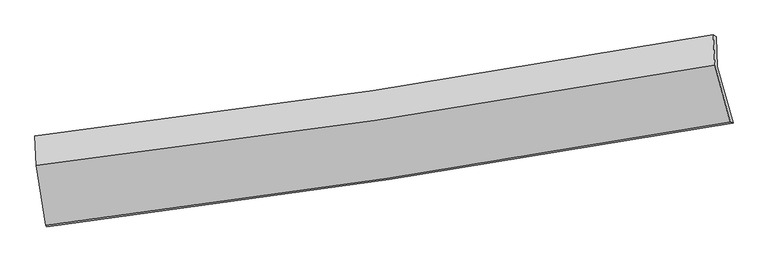
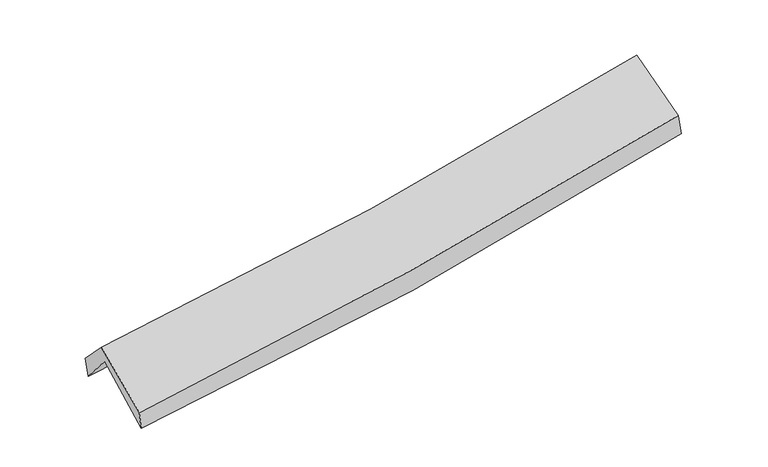
"""IFC4 building model written with IfcOpenShell, lengths in millimetres: proxy geometry."""

from ifc_helpers import new_model, si_unit, frame, origin, place, context, project, spatial, source, transform, mapped, element, save
from ifc_brep_helpers import plane_surface, spline_curve, spline_surface, advanced_brep


def generic_models_8ebdc74b(model_context):
    return source(origin(), model_context, "Body", "AdvancedBrep", [
        advanced_brep(
        [(-2892.584701, -2512.7737687, 1461.492066), (-2973.4365801, -2019.6459653, 1905.4407742), (2916.0420647, -1124.3986466, 2398.2448232), (3052.9305065, -1611.3444368, 1968.1158759), (-2983.6759544, -1751.4639641, 1586.440724), (2906.1108122, -860.6951658, 2082.2935567), (-2997.3497807, -1723.6203235, 1762.8468012), (2880.5778861, -846.6129155, 2279.1834205), (-2985.1534751, -1981.9815919, 2031.421054), (2895.3113007, -1109.8531134, 2553.3738426), (-2903.8561019, -2500.4275674, 1626.2472757), (3028.7362739, -1604.9073329, 2165.1819367)],
        [
            (0, 1),
            (1, 2, spline_curve(3, [(-2973.4365801, -2019.6459653, 1905.4407742), (-1990.440041391, -1895.756785487, 1941.592897608), (-1011.267648565, -1759.763564867, 2000.327760849), (951.991042124, -1461.661592866, 2164.010312991), (1935.97819725, -1299.239040517, 2269.543466254), (2916.0420647, -1124.3986466, 2398.2448232)], [4, 2, 4], [0.0, 9.793642175284676, 19.713423561265213])),
            (2, 3),
            (3, 0, spline_curve(3, [(3052.9305065, -1611.3444368, 1968.1158759), (2062.917788406, -1786.355514443, 1834.401173205), (1069.25837253, -1949.384643817, 1725.210954558), (-912.672182329, -2249.558302129, 1556.956088697), (-1900.851169228, -2387.005616609, 1497.271704225), (-2892.584701, -2512.7737687, 1461.492066)], [4, 2, 4], [0.0, 9.919781385980537, 19.713423561265213])),
            (1, 4),
            (4, 5, spline_curve(3, [(-2983.6759544, -1751.4639641, 1586.440724), (-2000.626930577, -1630.577126537, 1626.527777669), (-1021.402778096, -1496.463131378, 1687.493519109), (941.95863816, -1199.88311682, 1852.236510707), (1925.99674129, -1037.074178907, 1956.555046494), (2906.1108122, -860.6951658, 2082.2935567)], [4, 2, 4], [0.0, 9.746601031969155, 19.618735398640148])),
            (5, 2),
            (4, 6),
            (6, 7, spline_curve(3, [(-2997.3497807, -1723.6203235, 1762.8468012), (-2016.560793118, -1605.676527924, 1813.261718442), (-1039.449540922, -1474.175623428, 1881.109641757), (919.955027922, -1182.191292924, 2052.769892146), (1902.152997835, -1021.356394527, 2157.034175623), (2880.5778861, -846.6129155, 2279.1834205)], [4, 2, 4], [0.0, 9.736206326528142, 19.597812107030578])),
            (7, 5),
            (6, 8),
            (8, 9, spline_curve(3, [(-2985.1534751, -1981.9815919, 2031.421054), (-2003.887856582, -1866.598218771, 2084.557575825), (-1026.328035387, -1736.787108444, 2154.237052714), (933.922963996, -1446.451658712, 2327.792434463), (1916.518068091, -1285.553276481, 2432.097220844), (2895.3113007, -1109.8531134, 2553.3738426)], [4, 2, 4], [0.0, 9.727939496671734, 19.581171972997545])),
            (9, 7),
            (8, 10),
            (10, 11, spline_curve(3, [(-2903.8561019, -2500.4275674, 1626.2472757), (-1915.377808796, -2376.377832252, 1685.939706836), (-929.900020992, -2240.281367249, 1760.31521621), (1047.708560013, -1942.08693768, 1939.579439823), (2039.761564317, -1779.676657612, 2044.848817551), (3028.7362739, -1604.9073329, 2165.1819367)], [4, 2, 4], [0.0, 9.775248124915976, 19.676398550606716])),
            (11, 9),
            (10, 0),
            (3, 11),
        ],
        [
            spline_surface(3, 3, [[(-2892.584701, -2512.7737687, 1461.492066), (-1900.851169253, -2387.005616492, 1497.271704108), (-912.672182464, -2249.558302104, 1556.956088766), (1069.258372666, -1949.384643842, 1725.210954489), (2062.917788363, -1786.355514294, 1834.401173098), (3052.9305065, -1611.3444368, 1968.1158759)], [(-2919.535327373, -2348.397834229, 1609.474968749), (-1930.714126598, -2223.256006181, 1645.37876865), (-945.537337801, -2086.293389721, 1704.746646125), (1030.16926242, -1786.810293515, 1871.47740732), (2020.604591372, -1623.983356393, 1979.448604114), (3007.301025914, -1449.029173392, 2111.492191649)], [(-2946.485953727, -2184.021899771, 1757.457871451), (-1960.577083923, -2059.506395882, 1793.485833146), (-978.402493086, -1923.028477295, 1852.53720349), (991.080152227, -1624.235943146, 2017.743860159), (1978.291394338, -1461.611198516, 2124.496035182), (2961.671545286, -1286.713910008, 2254.868507451)], [(-2973.4365801, -2019.6459653, 1905.4407742), (-1990.440041268, -1895.756785571, 1941.592897688), (-1011.267648423, -1759.763564913, 2000.327760849), (951.991041981, -1461.661592819, 2164.010312991), (1935.978197347, -1299.239040615, 2269.543466198), (2916.0420647, -1124.3986466, 2398.2448232)]], [4, 4], [4, 2, 4], [0.0, 2.1887845619897117], [0.0, 9.793642175284676, 19.713423561265213]),
            spline_surface(3, 3, [[(-2973.4365801, -2019.6459653, 1905.4407742), (-1990.440041268, -1895.756785571, 1941.592897688), (-1011.267648423, -1759.763564913, 2000.327760849), (951.991041981, -1461.661592819, 2164.010312991), (1935.978197347, -1299.239040615, 2269.543466198), (2916.0420647, -1124.3986466, 2398.2448232)], [(-2976.849704846, -1930.251964905, 1799.107424123), (-1993.835671065, -1807.363565856, 1836.571190959), (-1014.64602502, -1671.996753771, 1896.049680286), (948.646907392, -1374.402100766, 2060.085712188), (1932.651045297, -1211.85075337, 2165.213992976), (2912.731647173, -1036.49748635, 2292.927734366)], [(-2980.262829654, -1840.857964495, 1692.774074077), (-1997.231300923, -1718.970346127, 1731.54948426), (-1018.024401584, -1584.229942653, 1791.77159976), (945.302772834, -1287.142608737, 1956.161111422), (1929.323893328, -1124.462466077, 2060.884519757), (2909.421229727, -948.59632605, 2187.610645534)], [(-2983.6759544, -1751.4639641, 1586.440724), (-2000.62693072, -1630.577126412, 1626.52777753), (-1021.40277818, -1496.463131512, 1687.493519196), (941.958638245, -1199.883116685, 1852.236510619), (1925.996741278, -1037.074178833, 1956.555046536), (2906.1108122, -860.6951658, 2082.2935567)]], [4, 4], [4, 2, 4], [0.0, 1.3389416352443992], [0.0, 9.746601031969155, 19.618735398640148]),
            spline_surface(3, 3, [[(-2983.6759544, -1751.4639641, 1586.440724), (-2000.62693072, -1630.577126412, 1626.52777753), (-1021.40277818, -1496.463131512, 1687.493519196), (941.958638245, -1199.883116685, 1852.236510619), (1925.996741278, -1037.074178833, 1956.555046536), (2906.1108122, -860.6951658, 2082.2935567)], [(-2988.233896498, -1742.182750565, 1645.242749729), (-2005.93821815, -1622.276926899, 1688.772424536), (-1027.418365719, -1489.033962178, 1752.032226684), (934.624101446, -1193.985842075, 1919.080971177), (1918.048826838, -1031.834917403, 2023.381422906), (2897.599836853, -856.001082345, 2147.923511311)], [(-2992.791838602, -1732.901537035, 1704.044775471), (-2011.249505585, -1613.976727391, 1751.017071555), (-1033.433953283, -1481.604792837, 1816.570934148), (927.28956462, -1188.088567457, 1985.925431712), (1910.100912337, -1026.595656039, 2090.207799243), (2889.088861447, -851.306998955, 2213.553465889)], [(-2997.3497807, -1723.6203235, 1762.8468012), (-2016.560793015, -1605.676527878, 1813.261718561), (-1039.449540822, -1474.175623504, 1881.109641635), (919.95502782, -1182.191292847, 2052.76989227), (1902.152997897, -1021.356394609, 2157.034175614), (2880.5778861, -846.6129155, 2279.1834205)]], [4, 4], [4, 2, 4], [0.0, 0.6533417807725801], [0.0, 9.736206326528142, 19.597812107030578]),
            spline_surface(3, 3, [[(-2997.3497807, -1723.6203235, 1762.8468012), (-2016.560793015, -1605.676527878, 1813.261718561), (-1039.449540822, -1474.175623504, 1881.109641635), (919.95502782, -1182.191292847, 2052.76989227), (1902.152997897, -1021.356394609, 2157.034175614), (2880.5778861, -846.6129155, 2279.1834205)], [(-2993.284345524, -1809.74074627, 1852.371552137), (-2012.336480856, -1692.650424843, 1903.693671038), (-1035.075705628, -1561.712785115, 1972.152111963), (924.611006524, -1270.278081522, 2144.444073013), (1906.941354573, -1109.422021934, 2248.721857308), (2885.489024296, -934.359648158, 2370.580227844)], [(-2989.218910276, -1895.86116913, 1941.896303063), (-2008.112168625, -1779.624321897, 1994.125623505), (-1030.701870477, -1649.2499467, 2063.194582322), (929.266985186, -1358.364870171, 2236.118253786), (1911.72971126, -1197.487649186, 2340.40953907), (2890.400162504, -1022.106380742, 2461.977035256)], [(-2985.1534751, -1981.9815919, 2031.421054), (-2003.887856467, -1866.598218862, 2084.557575982), (-1026.328035283, -1736.787108312, 2154.23705265), (933.92296389, -1446.451658846, 2327.792434529), (1916.518067936, -1285.55327651, 2432.097220764), (2895.3113007, -1109.8531134, 2553.3738426)]], [4, 4], [4, 2, 4], [0.0, 1.2480621739515025], [0.0, 9.727939496671734, 19.581171972997545]),
            spline_surface(3, 3, [[(-2985.1534751, -1981.9815919, 2031.421054), (-2003.887856467, -1866.598218862, 2084.557575982), (-1026.328035283, -1736.787108312, 2154.23705265), (933.92296389, -1446.451658846, 2327.792434529), (1916.518067936, -1285.55327651, 2432.097220764), (2895.3113007, -1109.8531134, 2553.3738426)], [(-2958.054350677, -2154.796917069, 1896.363127886), (-1974.384507181, -2036.524756674, 1951.68495287), (-994.185363839, -1904.618527984, 2022.929773802), (971.851495915, -1611.663418401, 2198.388103016), (1957.599233349, -1450.261070196, 2303.01441971), (2939.786291763, -1274.871186542, 2423.976540653)], [(-2930.955226323, -2327.612242231, 1761.305201814), (-1944.881157963, -2206.451294478, 1818.8123298), (-962.042692391, -2072.449947699, 1891.622494924), (1009.780027943, -1776.875177999, 2068.983771472), (1998.680398773, -1614.968863955, 2173.931618596), (2984.261282837, -1439.889259758, 2294.579238647)], [(-2903.8561019, -2500.4275674, 1626.2472757), (-1915.377808677, -2376.37783229, 1685.939706689), (-929.900020946, -2240.281367372, 1760.315216076), (1047.708559967, -1942.086937555, 1939.57943996), (2039.761564186, -1779.676657641, 2044.848817542), (3028.7362739, -1604.9073329, 2165.1819367)]], [4, 4], [4, 2, 4], [0.0, 2.109687627809574], [0.0, 9.775248124915976, 19.676398550606716]),
            spline_surface(3, 3, [[(-2903.8561019, -2500.4275674, 1626.2472757), (-1915.377808677, -2376.37783229, 1685.939706689), (-929.900020946, -2240.281367372, 1760.315216076), (1047.708559967, -1942.086937555, 1939.57943996), (2039.761564186, -1779.676657641, 2044.848817542), (3028.7362739, -1604.9073329, 2165.1819367)], [(-2900.098968281, -2504.542967861, 1571.328872476), (-1910.53559555, -2379.920427052, 1623.050372504), (-924.157408112, -2243.373678946, 1692.528840313), (1054.891830873, -1944.519506314, 1868.123278143), (2047.480305578, -1781.902943205, 1974.699602738), (3036.801018101, -1607.053034213, 2099.493249777)], [(-2896.341834619, -2508.658368239, 1516.410469224), (-1905.69338238, -2383.46302173, 1560.161038292), (-918.414795298, -2246.46599053, 1624.742464529), (1062.07510176, -1946.952075083, 1796.667116305), (2055.19904697, -1784.12922873, 1904.550387903), (3044.865762299, -1609.198735487, 2033.804562823)], [(-2892.584701, -2512.7737687, 1461.492066), (-1900.851169253, -2387.005616492, 1497.271704108), (-912.672182464, -2249.558302104, 1556.956088766), (1069.258372666, -1949.384643842, 1725.210954489), (2062.917788363, -1786.355514294, 1834.401173098), (3052.9305065, -1611.3444368, 1968.1158759)]], [4, 4], [4, 2, 4], [0.0, 0.6889647362367506], [0.0, 9.830453564832077, 19.787520460155186]),
            plane_surface(frame((2946.6181407, -1192.9686018, 2241.0655759), z_axis=(0.9780947277983552, 0.17390462569566567, 0.1144022928734912), x_axis=(0.20747252089122895, -0.7697970209651719, -0.6036287763089044))),
            plane_surface(frame((-2956.0094322, -2081.6521968, 1728.9814492), z_axis=(-0.9922546713985817, -0.1089223863127293, -0.059720857726871995), x_axis=(-0.06806352802589449, 0.07455382295190556, 0.9948914933981113))),
        ],
        [
            (0, [[1, 2, 3, 4]]),
            (1, [[5, 6, 7, -2]]),
            (2, [[8, 9, 10, -6]]),
            (3, [[11, 12, 13, -9]]),
            (4, [[14, 15, 16, -12]]),
            (5, [[17, -4, 18, -15]]),
            (6, [[-16, -18, -3, -7, -10, -13]]),
            (7, [[-17, -14, -11, -8, -5, -1]]),
        ],
    ),
    ])


if __name__ == "__main__":
    model = new_model("IFC4")
    model_context = context("Model", 3, world=origin())
    ifc_project = project(units=[si_unit("LENGTHUNIT", "METRE", prefix="MILLI")], contexts=[model_context])
    site = spatial("IfcSite", under=ifc_project)
    building = spatial("IfcBuilding", under=site)
    placement = place(None, origin())
    generic_models_shape = generic_models_8ebdc74b(model_context)
    element("IfcBuildingElementProxy", 1, Name="Generic Models", at=placement, inside=building, context=model_context, shape_type="MappedRepresentation", body=[
        mapped(generic_models_shape, transform((0.0, 0.0, 0.0), x_axis=(1.0, 0.0, 0.0), y_axis=(0.0, 1.0, 0.0), z_axis=(0.0, 0.0, 1.0))),
    ])
    save(model, "model.ifc")
